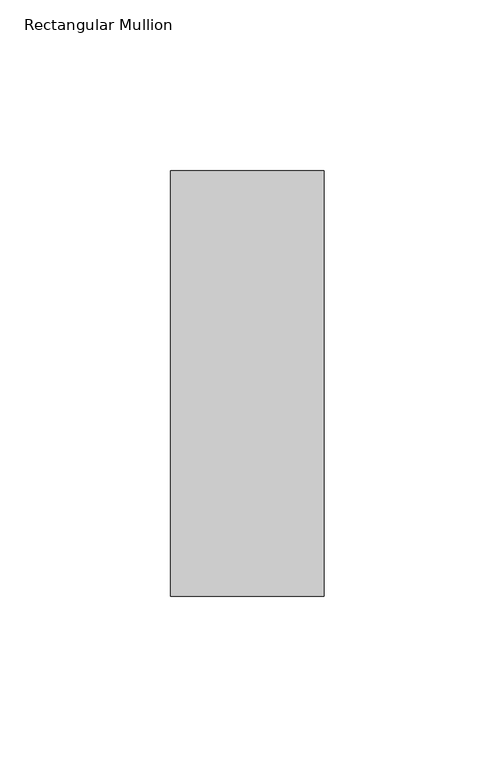
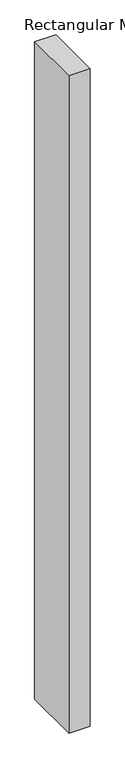
"""IFC4 building model written with IfcOpenShell, lengths in millimetres: member geometry, Rectangular Mullion."""

from ifc_helpers import new_model, si_unit, frame, origin, place, context, project, spatial, polyline, outline, extrude, source, transform, mapped, element, save


def rectangular_mullion_34eb3d4f(model_context):
    return source(origin(), model_context, "Body", "SweptSolid", [
        extrude(outline(polyline([(22.5, 77.84375), (22.5, -46.84375), (-22.5, -46.84375), (-22.5, 77.84375), (22.5, 77.84375)])), frame((0.0, 0.0, -1462.8794068), z_axis=(0.0, 0.0, 1.0), x_axis=(1.0, 0.0, 0.0)), (0.0, 0.0, 1.0), 1462.8794068),
    ])


if __name__ == "__main__":
    model = new_model("IFC4")
    model_context = context("Model", 3, world=origin())
    ifc_project = project(units=[si_unit("LENGTHUNIT", "METRE", prefix="MILLI")], contexts=[model_context])
    site = spatial("IfcSite", under=ifc_project)
    building = spatial("IfcBuilding", under=site)
    placement = place(None, origin())
    rectangular_mullion_shape = rectangular_mullion_34eb3d4f(model_context)
    element("IfcMember", 1, ObjectType="Rectangular Mullion", at=placement, inside=building, context=model_context, shape_type="MappedRepresentation", body=[
        mapped(rectangular_mullion_shape, transform((0.0, 0.0, 0.0), x_axis=(1.0, 0.0, 0.0), y_axis=(0.0, 1.0, 0.0), z_axis=(0.0, 0.0, 1.0))),
    ])
    save(model, "model.ifc")
